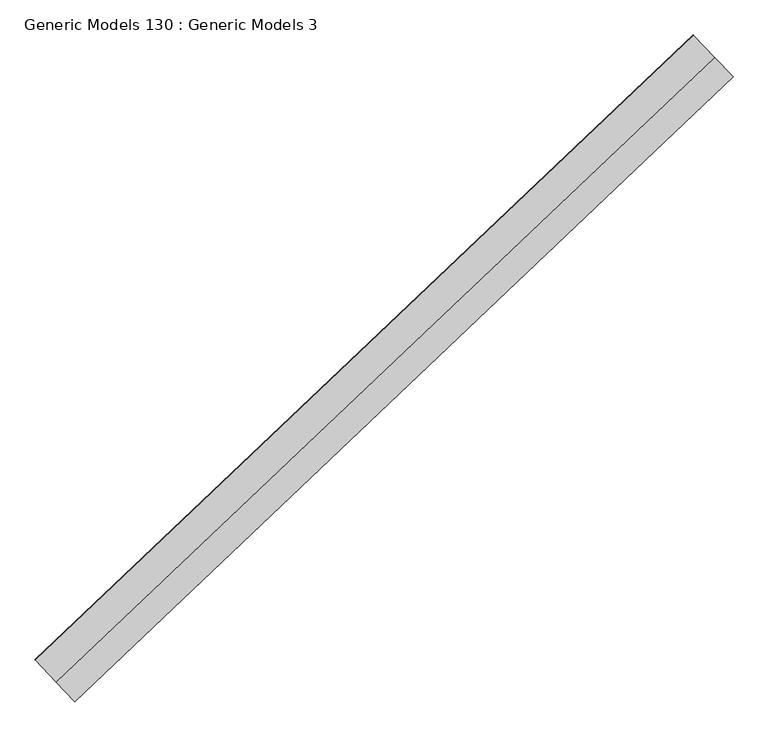
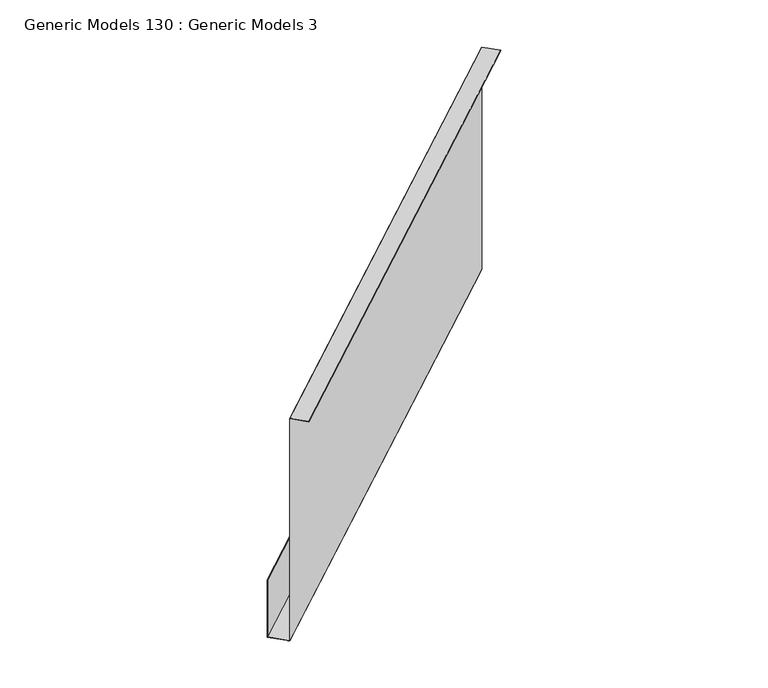
"""IFC4 building model written with IfcOpenShell, lengths in millimetres: proxy geometry, Generic Models 130 : Generic Models 3."""

from ifc_helpers import new_model, si_unit, frame, origin, place, context, project, spatial, polyline, outline, extrude, source, transform, mapped, element, save


def generic_models_130_generic_models_3_d31835fc(model_context):
    return source(origin(), model_context, "Body", "SweptSolid", [
        extrude(outline(polyline([(434.1835329, 0.0), (434.1835329, 131.772379), (435.7710329, 131.772379), (435.7710329, -1.5875001), (-1385.7061958, -1.5875001), (-1385.7061958, -155.575), (-918.3053881, -155.575), (-918.3053881, -157.1625), (-1387.2936958, -157.1625), (-1387.2936958, 0.0), (434.1835329, 0.0)])), frame((101950.5858212, 54994.0157137, 18102.7553552), z_axis=(0.7253743710122866, 0.6883545756937551, 0.0), x_axis=(0.0, 0.0, 1.0)), (0.0, 0.0, 1.0), 4530.725),
    ])


if __name__ == "__main__":
    model = new_model("IFC4")
    model_context = context("Model", 3, world=origin())
    ifc_project = project(units=[si_unit("LENGTHUNIT", "METRE", prefix="MILLI")], contexts=[model_context])
    site = spatial("IfcSite", under=ifc_project)
    building = spatial("IfcBuilding", under=site)
    placement = place(None, origin())
    generic_models_130_generic_models_3_shape = generic_models_130_generic_models_3_d31835fc(model_context)
    element("IfcBuildingElementProxy", 1, Name="Generic Models 130 : Generic Models 3", ObjectType="Generic Models 130 : Generic Models 3", at=placement, inside=building, context=model_context, shape_type="MappedRepresentation", body=[
        mapped(generic_models_130_generic_models_3_shape, transform((0.0, 0.0, 0.0), x_axis=(1.0, 0.0, 0.0), y_axis=(0.0, 1.0, 0.0), z_axis=(0.0, 0.0, 1.0))),
    ])
    save(model, "model.ifc")
